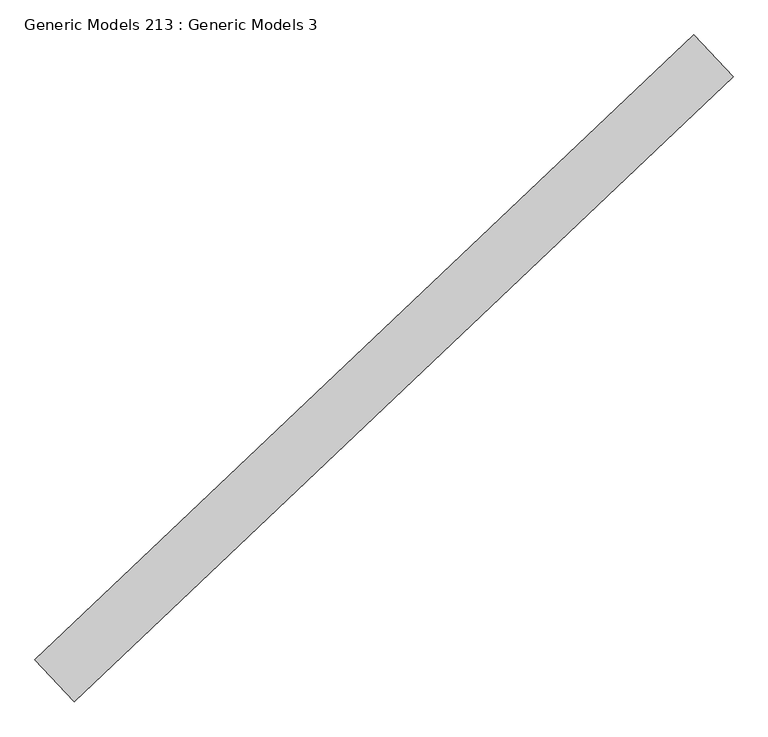
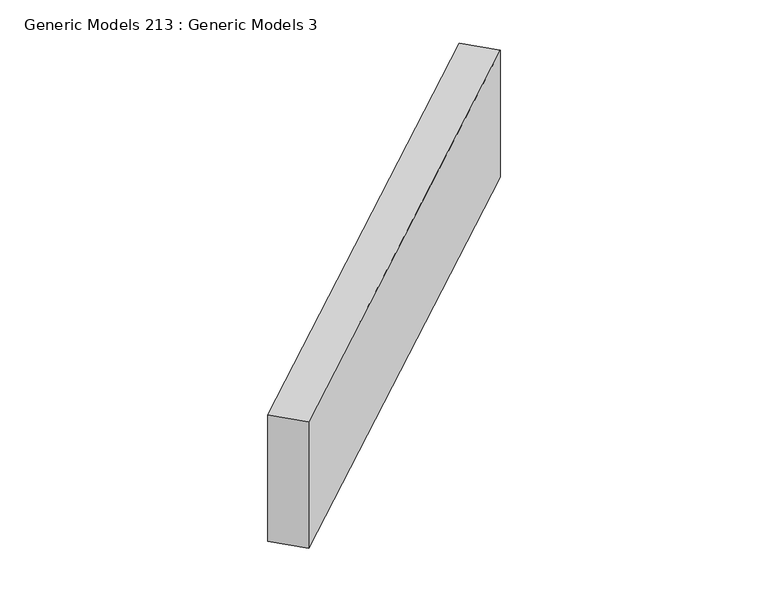
"""IFC4 building model written with IfcOpenShell, lengths in millimetres: proxy geometry, Generic Models 213 : Generic Models 3."""

from ifc_helpers import new_model, si_unit, frame, origin, place, context, project, spatial, polyline, outline, extrude, source, transform, mapped, element, save


def generic_models_213_generic_models_3_9ef81f74(model_context):
    return source(origin(), model_context, "Body", "SweptSolid", [
        extrude(outline(polyline([(103011.3192361, 60458.1998699), (103208.4658888, 60250.4506455), (99921.9940917, 57131.7053606), (99724.847439, 57339.4545849), (103011.3192361, 60458.1998699)])), frame((0.0, 0.0, 15357.2080368), z_axis=(0.0, 0.0, 1.0), x_axis=(1.0, 0.0, 0.0)), (0.0, 0.0, 1.0), 1038.4919632),
    ])


if __name__ == "__main__":
    model = new_model("IFC4")
    model_context = context("Model", 3, world=origin())
    ifc_project = project(units=[si_unit("LENGTHUNIT", "METRE", prefix="MILLI")], contexts=[model_context])
    site = spatial("IfcSite", under=ifc_project)
    building = spatial("IfcBuilding", under=site)
    placement = place(None, origin())
    generic_models_213_generic_models_3_shape = generic_models_213_generic_models_3_9ef81f74(model_context)
    element("IfcBuildingElementProxy", 1, Name="Generic Models 213 : Generic Models 3", ObjectType="Generic Models 213 : Generic Models 3", at=placement, inside=building, context=model_context, shape_type="MappedRepresentation", body=[
        mapped(generic_models_213_generic_models_3_shape, transform((0.0, 0.0, 0.0), x_axis=(1.0, 0.0, 0.0), y_axis=(0.0, 1.0, 0.0), z_axis=(0.0, 0.0, 1.0))),
    ])
    save(model, "model.ifc")
